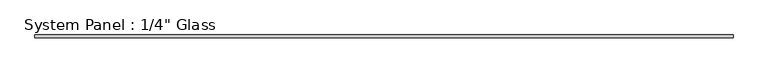
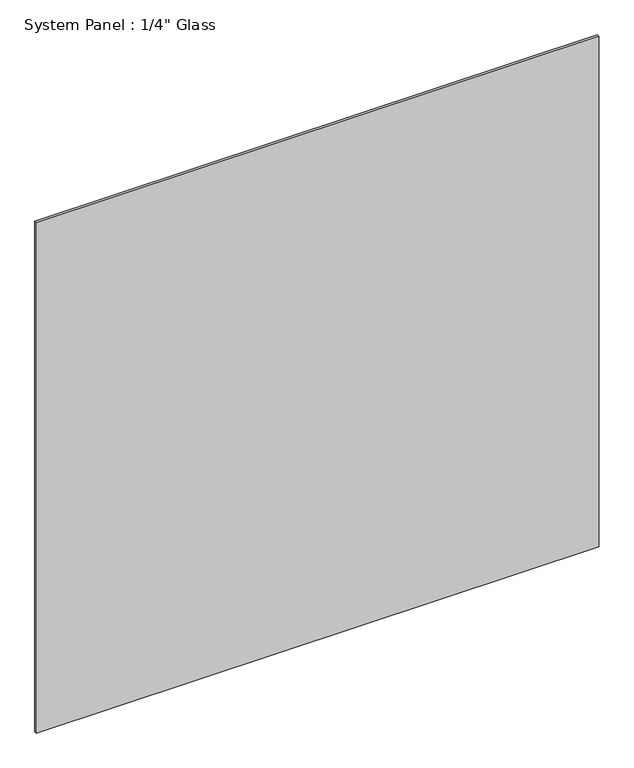
"""IFC4 building model written with IfcOpenShell, lengths in millimetres: plate geometry."""

from ifc_helpers import new_model, si_unit, origin, origin_with_axes, place, context, project, spatial, polyline, outline, extrude, source, transform, mapped, element, save


def plate_dc6a77ab(model_context):
    return source(origin(), model_context, "Body", "SweptSolid", [
        extrude(outline(polyline([(729.6720691, -3.175), (-729.6720691, -3.175), (-729.6720691, 3.175), (729.6720691, 3.175), (729.6720691, -3.175)])), origin_with_axes(), (0.0, 0.0, 1.0), 1398.3841382),
    ])


if __name__ == "__main__":
    model = new_model("IFC4")
    model_context = context("Model", 3, world=origin())
    ifc_project = project(units=[si_unit("LENGTHUNIT", "METRE", prefix="MILLI")], contexts=[model_context])
    site = spatial("IfcSite", under=ifc_project)
    building = spatial("IfcBuilding", under=site)
    placement = place(None, origin())
    plate_shape = plate_dc6a77ab(model_context)
    element("IfcPlate", 1, ObjectType="System Panel : 1/4\" Glass", at=placement, inside=building, context=model_context, shape_type="MappedRepresentation", body=[
        mapped(plate_shape, transform((0.0, 0.0, 0.0), x_axis=(1.0, 0.0, 0.0), y_axis=(0.0, 1.0, 0.0), z_axis=(0.0, 0.0, 1.0))),
    ])
    save(model, "model.ifc")
